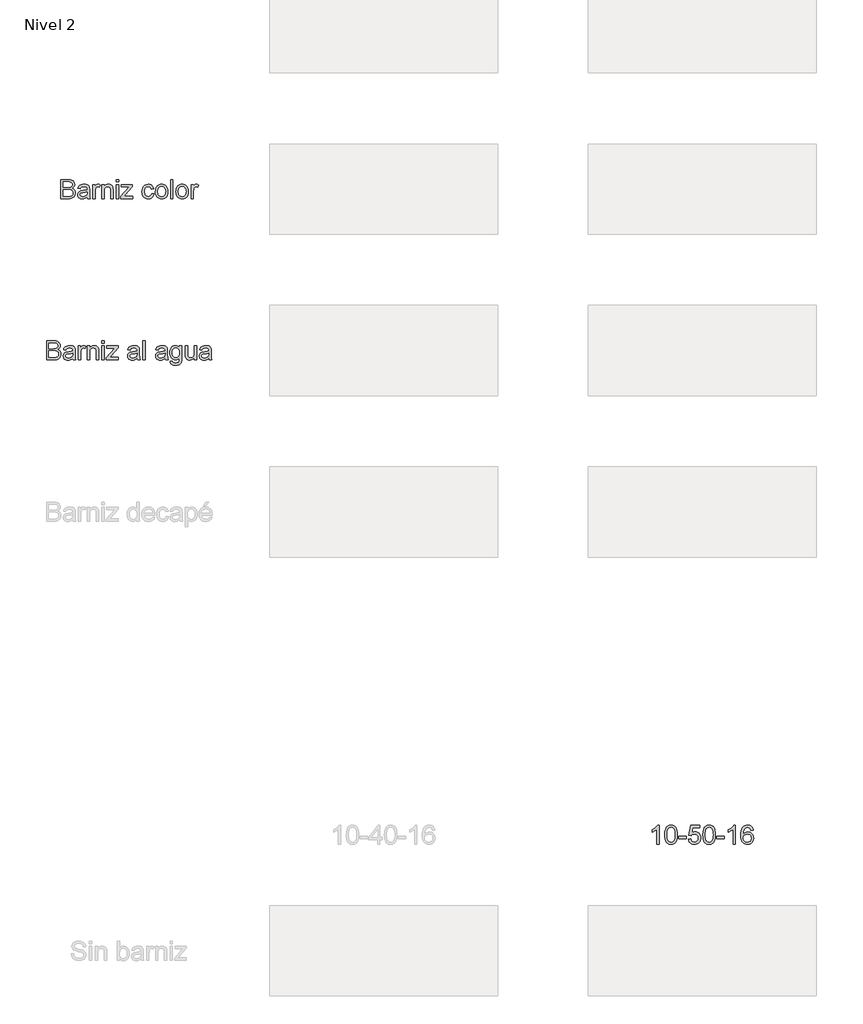
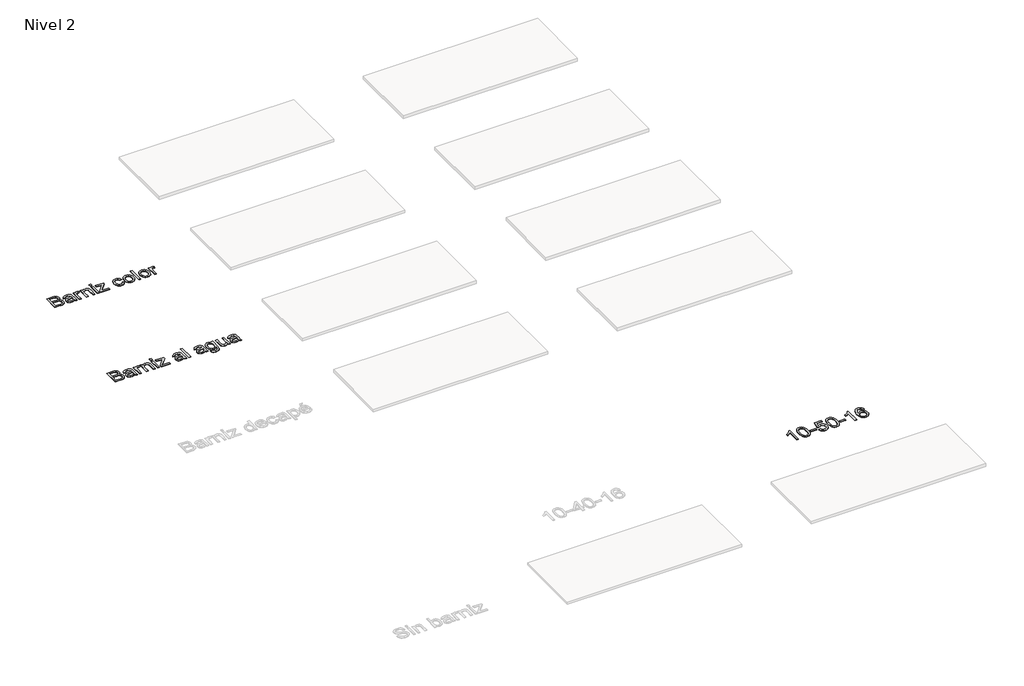
# One storey, part 12 of 51: 3 proxies.
"""IFC4 building model written with IfcOpenShell, lengths in millimetres."""

import ifcopenshell
import ifcopenshell.guid

model = None  # the IFC model being written
_history = None  # IfcOwnerHistory: only IFC2X3 demands one
_inside = {}  # id of a spatial element -> (the spatial element, [elements in it])
_under = {}  # id of a project, library or spatial element -> (it, [spatial elements below it])
_declared = {}  # id of a project -> (the project, [libraries it declares])
_typed = {}  # id of a type object -> (the type object, [elements of that type])
_made_of = {}  # id of a material, layer set ... -> (it, [elements and type objects made of it])


def new_model(schema):
    """Start an empty IFC model of exactly this schema.

    Asked for "IFC4X3", IfcOpenShell would pick the latest addendum, in which some entities
    have other attributes; the version numbers below select the first issue.
    IFC2X3 requires an IfcOwnerHistory on every rooted entity: one is made here for all.
    """
    global model, _history
    if schema == "IFC4X3":
        model = ifcopenshell.file(schema_version=(4, 3, 0, 0))
    else:
        model = ifcopenshell.file(schema=schema)
    _inside.clear()
    _under.clear()
    _declared.clear()
    _typed.clear()
    _made_of.clear()
    _history = None
    if model.schema == "IFC2X3":
        org = make("IfcOrganization", Name="unknown")
        user = make(
            "IfcPersonAndOrganization",
            ThePerson=make("IfcPerson", FamilyName="unknown"),
            TheOrganization=org,
        )
        app = make(
            "IfcApplication",
            ApplicationDeveloper=org,
            Version="unknown",
            ApplicationFullName="unknown",
            ApplicationIdentifier="unknown",
        )
        _history = make(
            "IfcOwnerHistory",
            OwningUser=user,
            OwningApplication=app,
            ChangeAction="ADDED",
            CreationDate=0,
        )
    return model


def make(cls, **values):
    """One entity of the class cls with the attributes given. An attribute that is None is left unset."""
    return model.create_entity(
        cls, **{name: value for name, value in values.items() if value is not None}
    )


def rooted(cls, **values):
    """An entity with a GlobalId (a new one), such as an element, a storey or a relation."""
    return make(cls, GlobalId=ifcopenshell.guid.new(), OwnerHistory=_history, **values)


def si_unit(unit_type, name, prefix=None):
    """IfcSIUnit, for example si_unit("LENGTHUNIT", "METRE", prefix="MILLI")."""
    return make("IfcSIUnit", UnitType=unit_type, Prefix=prefix, Name=name)


def assignment(units):
    """IfcUnitAssignment: the units of a project."""
    return None if units is None else make("IfcUnitAssignment", Units=units)


def point(xyz):
    """IfcCartesianPoint."""
    return None if xyz is None else make("IfcCartesianPoint", Coordinates=xyz)


def direction(xyz):
    """IfcDirection."""
    return None if xyz is None else make("IfcDirection", DirectionRatios=xyz)


def frame(location, z_axis=None, x_axis=None):
    """IfcAxis2Placement3D, a coordinate frame: its origin and axes. An axis left out is left unset."""
    return make(
        "IfcAxis2Placement3D",
        Location=point(location),
        Axis=direction(z_axis),
        RefDirection=direction(x_axis),
    )


def origin():
    """The frame at (0, 0, 0) with its axes left unset."""
    return frame((0.0, 0.0, 0.0))


def place(relative_to, where):
    """IfcLocalPlacement: puts the frame where relative to a parent placement (None: the world)."""
    return make(
        "IfcLocalPlacement", PlacementRelTo=relative_to, RelativePlacement=where
    )


def context(
    kind, dimensions, precision=None, world=None, true_north=None, identifier=None
):
    """IfcGeometricRepresentationContext, for example the 3D "Model" context."""
    return make(
        "IfcGeometricRepresentationContext",
        ContextIdentifier=identifier,
        ContextType=kind,
        CoordinateSpaceDimension=dimensions,
        Precision=precision,
        WorldCoordinateSystem=world,
        TrueNorth=true_north,
    )


def project(units=None, contexts=None):
    """IfcProject with its units and contexts."""
    return rooted(
        "IfcProject",
        Name="project",
        RepresentationContexts=contexts,
        UnitsInContext=assignment(units),
    )


def spatial(cls, under=None, at=None, **own):
    """A site, building, storey or space (cls), placed at a placement, below another one or the project."""
    s = rooted(cls, ObjectPlacement=at, **own)
    if under is not None:
        _under.setdefault(under.id(), (under, []))[1].append(s)
    return s


def polyline(points):
    """IfcPolyline through the points."""
    return make("IfcPolyline", Points=[point(p) for p in points])


def outline(outer, holes=None, kind="AREA"):
    """IfcArbitraryClosedProfileDef: a profile drawn as a closed curve; with holes, ...WithVoids."""
    if holes is None:
        return make("IfcArbitraryClosedProfileDef", ProfileType=kind, OuterCurve=outer)
    return make(
        "IfcArbitraryProfileDefWithVoids",
        ProfileType=kind,
        OuterCurve=outer,
        InnerCurves=holes,
    )


def extrude(swept, where, along, depth):
    """IfcExtrudedAreaSolid: the profile swept, set in the frame where, extruded along a direction by depth."""
    return make(
        "IfcExtrudedAreaSolid",
        SweptArea=swept,
        Position=where,
        ExtrudedDirection=direction(along),
        Depth=depth,
    )


def shape(context_of_items, identifier, shape_type, items):
    """IfcShapeRepresentation: the items that make up one representation, for example the "Body"."""
    return make(
        "IfcShapeRepresentation",
        ContextOfItems=context_of_items,
        RepresentationIdentifier=identifier,
        RepresentationType=shape_type,
        Items=items,
    )


def made_of(thing, what):
    """Note that an element or type object is made of a material, layer set ...; save() writes the relation."""
    if what is not None:
        _made_of.setdefault(what.id(), (what, []))[1].append(thing)
    return thing


def element(
    cls,
    number,
    at=None,
    inside=None,
    cuts=None,
    type_object=None,
    material=None,
    context=None,
    identifier="Body",
    shape_type=None,
    held_by="IfcProductDefinitionShape",
    body=None,
    shapes=None,
    **own,
):
    """One element of the class cls, such as IfcWall. Its Tag is "e" and its number.

    at: its placement. inside: the storey or other place that contains it. cuts: it is an
    opening in that element (IfcRelVoidsElement). A single representation is given by context,
    identifier, shape_type and body (its items); several are given by shapes. held_by: the class
    of the entity that holds the representations. save() writes the other relations.
    """
    e = rooted(cls, Tag="e%d" % number, ObjectPlacement=at, **own)
    if body is not None:
        shapes = [shape(context, identifier, shape_type, body)]
    if shapes is not None:
        e.Representation = make(held_by, Representations=shapes)
    if inside is not None:
        _inside.setdefault(inside.id(), (inside, []))[1].append(e)
    if cuts is not None:
        rooted(
            "IfcRelVoidsElement", RelatingBuildingElement=cuts, RelatedOpeningElement=e
        )
    if type_object is not None:
        _typed.setdefault(type_object.id(), (type_object, []))[1].append(e)
    return made_of(e, material)


def aggregate(whole, parts):
    """IfcRelAggregates: a whole, such as a stair, and the parts it consists of."""
    return rooted("IfcRelAggregates", RelatingObject=whole, RelatedObjects=parts)


def save(model, path):
    """Write the relations noted so far, then the file.

    IfcRelAggregates (storeys below a building ...), IfcRelContainedInSpatialStructure (elements
    in a storey), IfcRelDefinesByType, IfcRelAssociatesMaterial and IfcRelDeclares: one each for
    every whole, place, type object, material and project.
    """
    for whole, parts in _under.values():
        aggregate(whole, parts)
    for where, things in _inside.values():
        rooted(
            "IfcRelContainedInSpatialStructure",
            RelatedElements=things,
            RelatingStructure=where,
        )
    for kind, things in _typed.values():
        rooted("IfcRelDefinesByType", RelatedObjects=things, RelatingType=kind)
    for what, things in _made_of.values():
        rooted("IfcRelAssociatesMaterial", RelatedObjects=things, RelatingMaterial=what)
    for by, libraries in _declared.values():
        rooted("IfcRelDeclares", RelatingContext=by, RelatedDefinitions=libraries)
    model.write(path)


model = new_model("IFC4")

# Units and contexts
model_context = context("Model", 3, world=origin())
ifc_project = project(units=[si_unit("LENGTHUNIT", "METRE", prefix="MILLI")], contexts=[model_context])

# Site, building, storey
site = spatial("IfcSite", under=ifc_project)
building = spatial("IfcBuilding", under=site)
storey = spatial("IfcBuildingStorey", under=building, Name="Nivel 2", Elevation=3000.0)

# Proxies
placement = place(None, origin())
element("IfcBuildingElementProxy", 1, Name="Texto de modelo 1", ObjectType="Texto de modelo 1", at=placement, inside=storey, context=model_context, shape_type="SweptSolid", body=[
    extrude(outline(polyline([(-14807.4966963, -28901.1632381), (-14807.4966963, -28499.3379975), (-14654.1634807, -28499.3379975), (-14611.9919413, -28502.2933162), (-14579.0665027, -28511.1592723), (-14553.8297979, -28526.156595), (-14534.7244596, -28547.5060134), (-14522.6947183, -28572.620091), (-14518.6848046, -28598.9113909), (-14522.0570562, -28623.1057634), (-14532.1738111, -28645.8531335), (-14549.1086456, -28665.7555494), (-14572.9351361, -28681.4150597), (-14544.4733324, -28696.2774923), (-14523.4427451, -28718.8899723), (-14510.4565106, -28747.7564461), (-14506.1277658, -28781.3808605), (-14509.0830845, -28809.4012058), (-14517.9490406, -28835.3859374), (-14531.1805297, -28857.4833826), (-14547.2324474, -28873.8418686), (-14566.8896087, -28885.6876689), (-14590.9368284, -28894.2470566), (-14620.1589216, -28899.4341928), (-14655.3407031, -28901.1632381), (-14807.4966963, -28901.1632381)]), holes=[polyline([(-14757.2685412, -28662.5795015), (-14665.5432971, -28662.5795015), (-14611.9796786, -28658.2630195), (-14593.2299595, -28650.8195404), (-14579.7532158, -28639.672716), (-14571.6230237, -28624.9942244), (-14568.9129597, -28606.9557439), (-14571.4390827, -28589.4445609), (-14579.0174518, -28574.1897208), (-14591.3047104, -28562.2826069), (-14607.9575021, -28554.8146024), (-14633.513038, -28550.8782651), (-14672.5085295, -28549.5661526), (-14757.2685412, -28549.5661526), (-14757.2685412, -28662.5795015)]), polyline([(-14757.2685412, -28850.9350831), (-14654.2615825, -28850.9350831), (-14616.9828737, -28848.9730458), (-14585.443124, -28838.0346878), (-14573.8671039, -28828.604646), (-14564.5474267, -28815.7165134), (-14558.4037973, -28799.9466385), (-14556.3559209, -28781.8713698), (-14558.7594166, -28760.8775706), (-14565.9699037, -28742.8268274), (-14578.5637307, -28728.7124215), (-14597.117246, -28719.5276344), (-14623.3962831, -28714.4876511), (-14659.1666758, -28712.8076566), (-14757.2685412, -28712.8076566), (-14757.2685412, -28850.9350831)])]), frame((0.0, 0.0, 3000.0), z_axis=(0.0, 0.0, 1.0), x_axis=(1.0, 0.0, 0.0)), (0.0, 0.0, 1.0), 10.0),
    extrude(outline(polyline([(-14254.9869904, -28863.4921218), (-14278.9851593, -28884.0689881), (-14303.6945666, -28897.5334691), (-14329.6792982, -28904.9646854), (-14357.5034398, -28907.4417575), (-14379.8675994, -28905.9518354), (-14399.4787754, -28901.4820692), (-14416.3369678, -28894.0324588), (-14430.4421767, -28883.6030042), (-14441.5798041, -28870.8558931), (-14449.5352522, -28856.453313), (-14454.3085211, -28840.3952639), (-14455.8996107, -28822.6817458), (-14453.496115, -28801.8596249), (-14446.2856279, -28782.9504904), (-14435.1633289, -28766.7636826), (-14421.0243976, -28754.1085419), (-14404.4083942, -28744.5436101), (-14385.8548789, -28737.6274285), (-14342.3957525, -28730.0735849), (-14291.039426, -28722.1273338), (-14255.281296, -28712.8076566), (-14254.9869904, -28701.624044), (-14258.4450812, -28679.2077677), (-14268.8193535, -28664.5415388), (-14292.0204446, -28653.6522318), (-14324.3450093, -28650.0224628), (-14354.2660782, -28652.4382212), (-14375.1617755, -28659.6854965), (-14389.4110715, -28673.0886639), (-14399.3929363, -28693.9720985), (-14449.6210914, -28687.6935791), (-14440.9022881, -28660.2250568), (-14427.8915282, -28638.6426464), (-14409.3748011, -28622.1370075), (-14384.1380962, -28609.8987998), (-14353.2727968, -28602.3204307), (-14317.8702862, -28599.7943077), (-14283.914778, -28602.0261251), (-14256.9980787, -28608.7215774), (-14236.7032553, -28618.7892814), (-14222.6133749, -28631.1378537), (-14213.2691722, -28646.4049565), (-14207.211382, -28665.2282519), (-14204.7588354, -28709.1778876), (-14204.7588354, -28771.6687758), (-14202.2081869, -28858.9303851), (-14192.2017966, -28901.1632381), (-14242.4299517, -28901.1632381), (-14250.4743046, -28883.7011061), (-14254.9869904, -28863.4921218)]), holes=[polyline([(-14254.9869904, -28763.0358117), (-14288.7340321, -28771.3989957), (-14336.0191312, -28778.4378045), (-14379.2330029, -28786.5802594), (-14390.4779293, -28792.1475402), (-14398.8043251, -28799.8240112), (-14403.954673, -28809.0210611), (-14405.6714557, -28819.1500787), (-14401.9313221, -28834.0860877), (-14390.7109212, -28846.3242954), (-14372.2555078, -28854.4912757), (-14346.8103364, -28857.2136024), (-14319.8323235, -28854.2092328), (-14295.9935702, -28845.1961239), (-14276.6675027, -28831.9155839), (-14263.2275471, -28816.1089209), (-14257.2678588, -28799.8240112), (-14255.281296, -28777.2605822), (-14254.9869904, -28763.0358117)])]), frame((0.0, 0.0, 3000.0), z_axis=(0.0, 0.0, 1.0), x_axis=(1.0, 0.0, 0.0)), (0.0, 0.0, 1.0), 10.0),
    extrude(outline(polyline([(-14135.6951221, -28901.1632381), (-14135.6951221, -28606.0728271), (-14091.7454865, -28606.0728271), (-14091.7454865, -28649.7281572), (-14075.5096277, -28624.4178759), (-14060.5490933, -28609.5063924), (-14045.5395079, -28602.2223289), (-14029.1564963, -28599.7943077), (-14004.1405207, -28603.6693314), (-13978.7321375, -28615.2944024), (-13995.5075565, -28660.3231586), (-14013.1658923, -28652.5976367), (-14030.824228, -28650.0224628), (-14045.8215507, -28652.4995349), (-14059.2247181, -28659.9307512), (-14070.0527115, -28671.7520259), (-14077.3245122, -28687.3992735), (-14083.4313534, -28715.456407), (-14085.4669671, -28746.064189), (-14085.4669671, -28901.1632381), (-14135.6951221, -28901.1632381)])), frame((0.0, 0.0, 3000.0), z_axis=(0.0, 0.0, 1.0), x_axis=(1.0, 0.0, 0.0)), (0.0, 0.0, 1.0), 10.0),
    extrude(outline(polyline([(-13947.3395406, -28901.1632381), (-13947.3395406, -28606.0728271), (-13897.1113855, -28606.0728271), (-13897.1113855, -28647.2756105), (-13879.6615162, -28626.5025405), (-13858.7045052, -28611.6646334), (-13834.2403526, -28602.7618891), (-13806.2690582, -28599.7943077), (-13781.5105999, -28602.1855407), (-13758.8368063, -28609.3592396), (-13739.9276717, -28620.4202249), (-13726.4631907, -28634.4733171), (-13717.3274545, -28651.481728), (-13711.4045544, -28671.4086694), (-13708.755804, -28719.9690928), (-13708.755804, -28901.1632381), (-13758.9839591, -28901.1632381), (-13758.9839591, -28726.7381215), (-13760.4309616, -28700.7656526), (-13764.7719691, -28682.2979765), (-13772.7795339, -28669.0664874), (-13785.2262081, -28658.8025797), (-13801.1800239, -28652.217492), (-13819.7090138, -28650.0224628), (-13849.1273106, -28654.9520815), (-13874.2046, -28669.7409377), (-13884.2263187, -28681.8135985), (-13891.3846891, -28698.313106), (-13895.6797114, -28719.2394602), (-13897.1113855, -28744.592661), (-13897.1113855, -28901.1632381), (-13947.3395406, -28901.1632381)])), frame((0.0, 0.0, 3000.0), z_axis=(0.0, 0.0, 1.0), x_axis=(1.0, 0.0, 0.0)), (0.0, 0.0, 1.0), 10.0),
    extrude(outline(polyline([(-13639.6920908, -28549.5661526), (-13639.6920908, -28499.3379975), (-13589.4639357, -28499.3379975), (-13589.4639357, -28549.5661526), (-13639.6920908, -28549.5661526)])), frame((0.0, 0.0, 3000.0), z_axis=(0.0, 0.0, 1.0), x_axis=(1.0, 0.0, 0.0)), (0.0, 0.0, 1.0), 10.0),
    extrude(outline(polyline([(-13639.6920908, -28901.1632381), (-13639.6920908, -28606.0728271), (-13589.4639357, -28606.0728271), (-13589.4639357, -28901.1632381), (-13639.6920908, -28901.1632381)])), frame((0.0, 0.0, 3000.0), z_axis=(0.0, 0.0, 1.0), x_axis=(1.0, 0.0, 0.0)), (0.0, 0.0, 1.0), 10.0),
    extrude(outline(polyline([(-13545.5143, -28901.1632381), (-13545.5143, -28853.878139), (-13372.1683039, -28656.3009821), (-13423.4755795, -28656.3009821), (-13532.9572612, -28656.3009821), (-13532.9572612, -28606.0728271), (-13300.652044, -28606.0728271), (-13300.652044, -28648.7471385), (-13454.3776671, -28824.0551719), (-13477.9221148, -28850.9350831), (-13419.8458105, -28850.9350831), (-13294.3735246, -28850.9350831), (-13294.3735246, -28901.1632381), (-13545.5143, -28901.1632381)])), frame((0.0, 0.0, 3000.0), z_axis=(0.0, 0.0, 1.0), x_axis=(1.0, 0.0, 0.0)), (0.0, 0.0, 1.0), 10.0),
    extrude(outline(polyline([(-12898.8268034, -28863.4921218), (-12922.8249722, -28884.0689881), (-12947.5343796, -28897.5334691), (-12973.5191112, -28904.9646854), (-13001.3432527, -28907.4417575), (-13023.7074124, -28905.9518354), (-13043.3185884, -28901.4820692), (-13060.1767808, -28894.0324588), (-13074.2819897, -28883.6030042), (-13085.4196171, -28870.8558931), (-13093.3750652, -28856.453313), (-13098.1483341, -28840.3952639), (-13099.7394237, -28822.6817458), (-13097.335928, -28801.8596249), (-13090.1254409, -28782.9504904), (-13079.0031419, -28766.7636826), (-13064.8642106, -28754.1085419), (-13048.2482071, -28744.5436101), (-13029.6946918, -28737.6274285), (-12986.2355655, -28730.0735849), (-12934.879239, -28722.1273338), (-12899.121109, -28712.8076566), (-12898.8268034, -28701.624044), (-12902.2848942, -28679.2077677), (-12912.6591664, -28664.5415388), (-12935.8602576, -28653.6522318), (-12968.1848222, -28650.0224628), (-12998.1058912, -28652.4382212), (-13019.0015885, -28659.6854965), (-13033.2508845, -28673.0886639), (-13043.2327493, -28693.9720985), (-13093.4609043, -28687.6935791), (-13084.7421011, -28660.2250568), (-13071.7313412, -28638.6426464), (-13053.2146141, -28622.1370075), (-13027.9779092, -28609.8987998), (-12997.1126098, -28602.3204307), (-12961.7100991, -28599.7943077), (-12927.754591, -28602.0261251), (-12900.8378917, -28608.7215774), (-12880.5430683, -28618.7892814), (-12866.4531878, -28631.1378537), (-12857.1089852, -28646.4049565), (-12851.051195, -28665.2282519), (-12848.5986483, -28709.1778876), (-12848.5986483, -28771.6687758), (-12846.0479998, -28858.9303851), (-12836.0416096, -28901.1632381), (-12886.2697647, -28901.1632381), (-12894.3141176, -28883.7011061), (-12898.8268034, -28863.4921218)]), holes=[polyline([(-12898.8268034, -28763.0358117), (-12932.5738451, -28771.3989957), (-12979.8589442, -28778.4378045), (-13023.0728159, -28786.5802594), (-13034.3177422, -28792.1475402), (-13042.6441381, -28799.8240112), (-13047.794486, -28809.0210611), (-13049.5112686, -28819.1500787), (-13045.771135, -28834.0860877), (-13034.5507342, -28846.3242954), (-13016.0953208, -28854.4912757), (-12990.6501494, -28857.2136024), (-12963.6721364, -28854.2092328), (-12939.8333832, -28845.1961239), (-12920.5073157, -28831.9155839), (-12907.0673601, -28816.1089209), (-12901.1076718, -28799.8240112), (-12899.121109, -28777.2605822), (-12898.8268034, -28763.0358117)])]), frame((0.0, 0.0, 3000.0), z_axis=(0.0, 0.0, 1.0), x_axis=(1.0, 0.0, 0.0)), (0.0, 0.0, 1.0), 10.0),
    extrude(outline(polyline([(-12779.5349351, -28901.1632381), (-12779.5349351, -28499.3379975), (-12729.30678, -28499.3379975), (-12729.30678, -28901.1632381), (-12779.5349351, -28901.1632381)])), frame((0.0, 0.0, 3000.0), z_axis=(0.0, 0.0, 1.0), x_axis=(1.0, 0.0, 0.0)), (0.0, 0.0, 1.0), 10.0),
    extrude(outline(polyline([(-12308.6459813, -28863.4921218), (-12332.6441501, -28884.0689881), (-12357.3535575, -28897.5334691), (-12383.338289, -28904.9646854), (-12411.1624306, -28907.4417575), (-12433.5265902, -28905.9518354), (-12453.1377663, -28901.4820692), (-12469.9959587, -28894.0324588), (-12484.1011675, -28883.6030042), (-12495.2387949, -28870.8558931), (-12503.1942431, -28856.453313), (-12507.967512, -28840.3952639), (-12509.5586016, -28822.6817458), (-12507.1551059, -28801.8596249), (-12499.9446188, -28782.9504904), (-12488.8223198, -28766.7636826), (-12474.6833885, -28754.1085419), (-12458.067385, -28744.5436101), (-12439.5138697, -28737.6274285), (-12396.0547433, -28730.0735849), (-12344.6984168, -28722.1273338), (-12308.9402869, -28712.8076566), (-12308.6459813, -28701.624044), (-12312.104072, -28679.2077677), (-12322.4783443, -28664.5415388), (-12345.6794355, -28653.6522318), (-12378.0040001, -28650.0224628), (-12407.9250691, -28652.4382212), (-12428.8207664, -28659.6854965), (-12443.0700623, -28673.0886639), (-12453.0519271, -28693.9720985), (-12503.2800822, -28687.6935791), (-12494.5612789, -28660.2250568), (-12481.550519, -28638.6426464), (-12463.0337919, -28622.1370075), (-12437.7970871, -28609.8987998), (-12406.9317877, -28602.3204307), (-12371.529277, -28599.7943077), (-12337.5737688, -28602.0261251), (-12310.6570695, -28608.7215774), (-12290.3622461, -28618.7892814), (-12276.2723657, -28631.1378537), (-12266.928163, -28646.4049565), (-12260.8703729, -28665.2282519), (-12258.4178262, -28709.1778876), (-12258.4178262, -28771.6687758), (-12255.8671777, -28858.9303851), (-12245.8607875, -28901.1632381), (-12296.0889425, -28901.1632381), (-12304.1332955, -28883.7011061), (-12308.6459813, -28863.4921218)]), holes=[polyline([(-12308.6459813, -28763.0358117), (-12342.393023, -28771.3989957), (-12389.6781221, -28778.4378045), (-12432.8919938, -28786.5802594), (-12444.1369201, -28792.1475402), (-12452.4633159, -28799.8240112), (-12457.6136639, -28809.0210611), (-12459.3304465, -28819.1500787), (-12455.5903129, -28834.0860877), (-12444.369912, -28846.3242954), (-12425.9144986, -28854.4912757), (-12400.4693273, -28857.2136024), (-12373.4913143, -28854.2092328), (-12349.652561, -28845.1961239), (-12330.3264935, -28831.9155839), (-12316.886538, -28816.1089209), (-12310.9268497, -28799.8240112), (-12308.9402869, -28777.2605822), (-12308.6459813, -28763.0358117)])]), frame((0.0, 0.0, 3000.0), z_axis=(0.0, 0.0, 1.0), x_axis=(1.0, 0.0, 0.0)), (0.0, 0.0, 1.0), 10.0),
    extrude(outline(polyline([(-12201.9111518, -28926.2773157), (-12151.6829967, -28932.5558351), (-12146.1402413, -28948.2521335), (-12135.398087, -28959.0433387), (-12114.2816605, -28967.4310482), (-12086.6414599, -28970.2269514), (-12057.1618494, -28967.0631662), (-12035.2360825, -28957.5718107), (-12020.0302933, -28942.3660216), (-12010.7106161, -28922.0589355), (-12007.2770508, -28863.4921218), (-12023.9911562, -28879.9732352), (-12042.6427733, -28891.7454591), (-12063.2319023, -28898.8087934), (-12085.7585432, -28901.1632381), (-12113.2975762, -28898.4225173), (-12137.5440653, -28890.2003547), (-12158.4980106, -28876.4967504), (-12176.1594121, -28857.3117043), (-12190.1726504, -28834.2945541), (-12200.1821064, -28809.0946375), (-12206.18778, -28781.7119543), (-12208.1896711, -28752.1465046), (-12204.5966903, -28711.593646), (-12193.8177479, -28674.3026744), (-12176.2329885, -28642.7016111), (-12152.2225569, -28619.218477), (-12122.6080563, -28604.65035), (-12088.2110898, -28599.7943077), (-12064.7218244, -28602.5411599), (-12043.4030628, -28610.7817166), (-12024.2548049, -28624.5159778), (-12007.2770508, -28643.7439434), (-12007.2770508, -28606.0728271), (-11957.0488958, -28606.0728271), (-11957.0488958, -28860.8433715), (-11960.4824611, -28919.6677025), (-11970.7831569, -28958.4056766), (-11988.5273318, -28984.0961026), (-12014.2913342, -29003.7777893), (-12047.5110784, -29016.2857772), (-12087.6224786, -29020.4551064), (-12112.2307184, -29018.9866441), (-12134.3557547, -29014.5812573), (-12153.9975876, -29007.2389458), (-12171.156217, -28996.9597097), (-12185.0161711, -28983.7312863), (-12194.7619783, -28967.5414128), (-12200.3936385, -28948.3900893), (-12201.9111518, -28926.2773157)]), holes=[polyline([(-12157.9615161, -28748.7129393), (-12152.6027017, -28794.7840279), (-12145.9041837, -28812.4209039), (-12136.5262585, -28826.4586676), (-12125.1249823, -28837.1670994), (-12112.3564114, -28844.8159792), (-12098.2205457, -28849.4053071), (-12082.7173853, -28850.9350831), (-12067.3675091, -28849.4145041), (-12053.2990884, -28844.8527674), (-12040.5121234, -28837.2498728), (-12029.006614, -28826.6058204), (-12019.4999301, -28812.7060124), (-12012.7094416, -28795.3358509), (-12007.2770508, -28750.1844673), (-12012.8688572, -28706.6395018), (-12019.8586151, -28689.4379529), (-12029.6442762, -28675.2836931), (-12041.3981059, -28664.2319048), (-12054.2923698, -28656.3377703), (-12068.3270679, -28651.6012897), (-12083.5022002, -28650.0224628), (-12098.4228808, -28651.5767642), (-12112.1847331, -28656.2396685), (-12136.2319529, -28674.8912856), (-12145.7386368, -28688.8309476), (-12152.5291253, -28705.7811105), (-12157.9615161, -28748.7129393)])]), frame((0.0, 0.0, 3000.0), z_axis=(0.0, 0.0, 1.0), x_axis=(1.0, 0.0, 0.0)), (0.0, 0.0, 1.0), 10.0),
    extrude(outline(polyline([(-11693.3510816, -28901.1632381), (-11693.3510816, -28850.4445737), (-11711.5244522, -28875.3808416), (-11732.6899296, -28893.1924616), (-11756.847514, -28903.8794335), (-11783.9972052, -28907.4417575), (-11808.4613579, -28904.94016), (-11831.2332534, -28897.4353673), (-11850.3385917, -28886.1536527), (-11863.8030727, -28872.3212897), (-11872.8652325, -28855.5213453), (-11878.7636072, -28835.3368865), (-11881.7066632, -28788.6403985), (-11881.7066632, -28606.0728271), (-11831.4785081, -28606.0728271), (-11831.4785081, -28764.997849), (-11828.4373503, -28816.2070227), (-11821.1164986, -28833.28901), (-11808.5717225, -28846.2752445), (-11791.636888, -28854.4790129), (-11771.1458609, -28857.2136024), (-11749.4776114, -28854.4176993), (-11729.2073134, -28846.0299898), (-11712.4932081, -28832.8230262), (-11701.4935365, -28815.5693606), (-11695.3866953, -28791.9390738), (-11693.3510816, -28759.6022464), (-11693.3510816, -28606.0728271), (-11643.1229266, -28606.0728271), (-11643.1229266, -28901.1632381), (-11693.3510816, -28901.1632381)])), frame((0.0, 0.0, 3000.0), z_axis=(0.0, 0.0, 1.0), x_axis=(1.0, 0.0, 0.0)), (0.0, 0.0, 1.0), 10.0),
    extrude(outline(polyline([(-11385.7036318, -28863.4921218), (-11409.7018006, -28884.0689881), (-11434.411208, -28897.5334691), (-11460.3959395, -28904.9646854), (-11488.2200811, -28907.4417575), (-11510.5842407, -28905.9518354), (-11530.1954168, -28901.4820692), (-11547.0536092, -28894.0324588), (-11561.158818, -28883.6030042), (-11572.2964454, -28870.8558931), (-11580.2518936, -28856.453313), (-11585.0251625, -28840.3952639), (-11586.6162521, -28822.6817458), (-11584.2127564, -28801.8596249), (-11577.0022693, -28782.9504904), (-11565.8799703, -28766.7636826), (-11551.741039, -28754.1085419), (-11535.1250355, -28744.5436101), (-11516.5715202, -28737.6274285), (-11473.1123938, -28730.0735849), (-11421.7560673, -28722.1273338), (-11385.9979374, -28712.8076566), (-11385.7036318, -28701.624044), (-11389.1617226, -28679.2077677), (-11399.5359948, -28664.5415388), (-11422.737086, -28653.6522318), (-11455.0616506, -28650.0224628), (-11484.9827196, -28652.4382212), (-11505.8784169, -28659.6854965), (-11520.1277128, -28673.0886639), (-11530.1095776, -28693.9720985), (-11580.3377327, -28687.6935791), (-11571.6189294, -28660.2250568), (-11558.6081695, -28638.6426464), (-11540.0914424, -28622.1370075), (-11514.8547376, -28609.8987998), (-11483.9894382, -28602.3204307), (-11448.5869275, -28599.7943077), (-11414.6314193, -28602.0261251), (-11387.71472, -28608.7215774), (-11367.4198966, -28618.7892814), (-11353.3300162, -28631.1378537), (-11343.9858135, -28646.4049565), (-11337.9280234, -28665.2282519), (-11335.4754767, -28709.1778876), (-11335.4754767, -28771.6687758), (-11332.9248282, -28858.9303851), (-11322.918438, -28901.1632381), (-11373.146593, -28901.1632381), (-11381.190946, -28883.7011061), (-11385.7036318, -28863.4921218)]), holes=[polyline([(-11385.7036318, -28763.0358117), (-11419.4506735, -28771.3989957), (-11466.7357726, -28778.4378045), (-11509.9496443, -28786.5802594), (-11521.1945706, -28792.1475402), (-11529.5209664, -28799.8240112), (-11534.6713144, -28809.0210611), (-11536.388097, -28819.1500787), (-11532.6479634, -28834.0860877), (-11521.4275625, -28846.3242954), (-11502.9721491, -28854.4912757), (-11477.5269778, -28857.2136024), (-11450.5489648, -28854.2092328), (-11426.7102115, -28845.1961239), (-11407.384144, -28831.9155839), (-11393.9441885, -28816.1089209), (-11387.9845002, -28799.8240112), (-11385.9979374, -28777.2605822), (-11385.7036318, -28763.0358117)])]), frame((0.0, 0.0, 3000.0), z_axis=(0.0, 0.0, 1.0), x_axis=(1.0, 0.0, 0.0)), (0.0, 0.0, 1.0), 10.0),
])
element("IfcBuildingElementProxy", 2, Name="Texto de modelo 1", ObjectType="Texto de modelo 1", at=placement, inside=storey, context=model_context, shape_type="SweptSolid", body=[
    extrude(outline(polyline([(-14502.9885061, -25501.1632381), (-14502.9885061, -25099.3379975), (-14349.6552905, -25099.3379975), (-14307.4837512, -25102.2933162), (-14274.5583126, -25111.1592723), (-14249.3216077, -25126.156595), (-14230.2162694, -25147.5060134), (-14218.1865282, -25172.620091), (-14214.1766144, -25198.9113909), (-14217.5488661, -25223.1057634), (-14227.6656209, -25245.8531335), (-14244.6004554, -25265.7555494), (-14268.426946, -25281.4150597), (-14239.9651423, -25296.2774923), (-14218.9345549, -25318.8899723), (-14205.9483205, -25347.7564461), (-14201.6195757, -25381.3808605), (-14204.5748944, -25409.4012058), (-14213.4408505, -25435.3859374), (-14226.6723395, -25457.4833826), (-14242.7242573, -25473.8418686), (-14262.3814185, -25485.6876689), (-14286.4286383, -25494.2470566), (-14315.6507314, -25499.4341928), (-14350.8325129, -25501.1632381), (-14502.9885061, -25501.1632381)]), holes=[polyline([(-14452.7603511, -25262.5795015), (-14361.0351069, -25262.5795015), (-14307.4714884, -25258.2630195), (-14288.7217694, -25250.8195404), (-14275.2450256, -25239.672716), (-14267.1148336, -25224.9942244), (-14264.4047695, -25206.9557439), (-14266.9308926, -25189.4445609), (-14274.5092617, -25174.1897208), (-14286.7965203, -25162.2826069), (-14303.4493119, -25154.8146024), (-14329.0048479, -25150.8782651), (-14368.0003394, -25149.5661526), (-14452.7603511, -25149.5661526), (-14452.7603511, -25262.5795015)]), polyline([(-14452.7603511, -25450.9350831), (-14349.7533924, -25450.9350831), (-14312.4746836, -25448.9730458), (-14280.9349338, -25438.0346878), (-14269.3589137, -25428.604646), (-14260.0392365, -25415.7165134), (-14253.8956072, -25399.9466385), (-14251.8477308, -25381.8713698), (-14254.2512265, -25360.8775706), (-14261.4617136, -25342.8268274), (-14274.0555405, -25328.7124215), (-14292.6090558, -25319.5276344), (-14318.888093, -25314.4876511), (-14354.6584857, -25312.8076566), (-14452.7603511, -25312.8076566), (-14452.7603511, -25450.9350831)])]), frame((0.0, 0.0, 3000.0), z_axis=(0.0, 0.0, 1.0), x_axis=(1.0, 0.0, 0.0)), (0.0, 0.0, 1.0), 10.0),
    extrude(outline(polyline([(-13950.4788003, -25463.4921218), (-13974.4769691, -25484.0689881), (-13999.1863765, -25497.5334691), (-14025.1711081, -25504.9646854), (-14052.9952496, -25507.4417575), (-14075.3594092, -25505.9518354), (-14094.9705853, -25501.4820692), (-14111.8287777, -25494.0324588), (-14125.9339865, -25483.6030042), (-14137.0716139, -25470.8558931), (-14145.0270621, -25456.453313), (-14149.800331, -25440.3952639), (-14151.3914206, -25422.6817458), (-14148.9879249, -25401.8596249), (-14141.7774378, -25382.9504904), (-14130.6551388, -25366.7636826), (-14116.5162075, -25354.1085419), (-14099.900204, -25344.5436101), (-14081.3466887, -25337.6274285), (-14037.8875624, -25330.0735849), (-13986.5312358, -25322.1273338), (-13950.7731059, -25312.8076566), (-13950.4788003, -25301.624044), (-13953.9368911, -25279.2077677), (-13964.3111633, -25264.5415388), (-13987.5122545, -25253.6522318), (-14019.8368191, -25250.0224628), (-14049.7578881, -25252.4382212), (-14070.6535854, -25259.6854965), (-14084.9028813, -25273.0886639), (-14094.8847461, -25293.9720985), (-14145.1129012, -25287.6935791), (-14136.3940979, -25260.2250568), (-14123.383338, -25238.6426464), (-14104.8666109, -25222.1370075), (-14079.6299061, -25209.8987998), (-14048.7646067, -25202.3204307), (-14013.362096, -25199.7943077), (-13979.4065879, -25202.0261251), (-13952.4898885, -25208.7215774), (-13932.1950651, -25218.7892814), (-13918.1051847, -25231.1378537), (-13908.760982, -25246.4049565), (-13902.7031919, -25265.2282519), (-13900.2506452, -25309.1778876), (-13900.2506452, -25371.6687758), (-13897.6999967, -25458.9303851), (-13887.6936065, -25501.1632381), (-13937.9217615, -25501.1632381), (-13945.9661145, -25483.7011061), (-13950.4788003, -25463.4921218)]), holes=[polyline([(-13950.4788003, -25363.0358117), (-13984.225842, -25371.3989957), (-14031.5109411, -25378.4378045), (-14074.7248128, -25386.5802594), (-14085.9697391, -25392.1475402), (-14094.296135, -25399.8240112), (-14099.4464829, -25409.0210611), (-14101.1632655, -25419.1500787), (-14097.4231319, -25434.0860877), (-14086.2027311, -25446.3242954), (-14067.7473176, -25454.4912757), (-14042.3021463, -25457.2136024), (-14015.3241333, -25454.2092328), (-13991.48538, -25445.1961239), (-13972.1593126, -25431.9155839), (-13958.719357, -25416.1089209), (-13952.7596687, -25399.8240112), (-13950.7731059, -25377.2605822), (-13950.4788003, -25363.0358117)])]), frame((0.0, 0.0, 3000.0), z_axis=(0.0, 0.0, 1.0), x_axis=(1.0, 0.0, 0.0)), (0.0, 0.0, 1.0), 10.0),
    extrude(outline(polyline([(-13831.186932, -25501.1632381), (-13831.186932, -25206.0728271), (-13787.2372963, -25206.0728271), (-13787.2372963, -25249.7281572), (-13771.0014376, -25224.4178759), (-13756.0409031, -25209.5063924), (-13741.0313177, -25202.2223289), (-13724.6483062, -25199.7943077), (-13699.6323305, -25203.6693314), (-13674.2239474, -25215.2944024), (-13690.9993664, -25260.3231586), (-13708.6577021, -25252.5976367), (-13726.3160379, -25250.0224628), (-13741.3133606, -25252.4995349), (-13754.7165279, -25259.9307512), (-13765.5445213, -25271.7520259), (-13772.8163221, -25287.3992735), (-13778.9231632, -25315.456407), (-13780.9587769, -25346.064189), (-13780.9587769, -25501.1632381), (-13831.186932, -25501.1632381)])), frame((0.0, 0.0, 3000.0), z_axis=(0.0, 0.0, 1.0), x_axis=(1.0, 0.0, 0.0)), (0.0, 0.0, 1.0), 10.0),
    extrude(outline(polyline([(-13642.8313505, -25501.1632381), (-13642.8313505, -25206.0728271), (-13592.6031954, -25206.0728271), (-13592.6031954, -25247.2756105), (-13575.1533261, -25226.5025405), (-13554.1963151, -25211.6646334), (-13529.7321624, -25202.7618891), (-13501.7608681, -25199.7943077), (-13477.0024098, -25202.1855407), (-13454.3286161, -25209.3592396), (-13435.4194816, -25220.4202249), (-13421.9550006, -25234.4733171), (-13412.8192644, -25251.481728), (-13406.8963642, -25271.4086694), (-13404.2476139, -25319.9690928), (-13404.2476139, -25501.1632381), (-13454.4757689, -25501.1632381), (-13454.4757689, -25326.7381215), (-13455.9227715, -25300.7656526), (-13460.263779, -25282.2979765), (-13468.2713438, -25269.0664874), (-13480.7180179, -25258.8025797), (-13496.6718338, -25252.217492), (-13515.2008236, -25250.0224628), (-13544.6191205, -25254.9520815), (-13569.6964098, -25269.7409377), (-13579.7181285, -25281.8135985), (-13586.876499, -25298.313106), (-13591.1715213, -25319.2394602), (-13592.6031954, -25344.592661), (-13592.6031954, -25501.1632381), (-13642.8313505, -25501.1632381)])), frame((0.0, 0.0, 3000.0), z_axis=(0.0, 0.0, 1.0), x_axis=(1.0, 0.0, 0.0)), (0.0, 0.0, 1.0), 10.0),
    extrude(outline(polyline([(-13335.1839006, -25149.5661526), (-13335.1839006, -25099.3379975), (-13284.9557456, -25099.3379975), (-13284.9557456, -25149.5661526), (-13335.1839006, -25149.5661526)])), frame((0.0, 0.0, 3000.0), z_axis=(0.0, 0.0, 1.0), x_axis=(1.0, 0.0, 0.0)), (0.0, 0.0, 1.0), 10.0),
    extrude(outline(polyline([(-13335.1839006, -25501.1632381), (-13335.1839006, -25206.0728271), (-13284.9557456, -25206.0728271), (-13284.9557456, -25501.1632381), (-13335.1839006, -25501.1632381)])), frame((0.0, 0.0, 3000.0), z_axis=(0.0, 0.0, 1.0), x_axis=(1.0, 0.0, 0.0)), (0.0, 0.0, 1.0), 10.0),
    extrude(outline(polyline([(-13241.0061099, -25501.1632381), (-13241.0061099, -25453.878139), (-13067.6601137, -25256.3009821), (-13118.9673893, -25256.3009821), (-13228.4490711, -25256.3009821), (-13228.4490711, -25206.0728271), (-12996.1438539, -25206.0728271), (-12996.1438539, -25248.7471385), (-13149.8694769, -25424.0551719), (-13173.4139246, -25450.9350831), (-13115.3376203, -25450.9350831), (-12989.8653345, -25450.9350831), (-12989.8653345, -25501.1632381), (-13241.0061099, -25501.1632381)])), frame((0.0, 0.0, 3000.0), z_axis=(0.0, 0.0, 1.0), x_axis=(1.0, 0.0, 0.0)), (0.0, 0.0, 1.0), 10.0),
    extrude(outline(polyline([(-12594.3186133, -25394.4284086), (-12544.0904582, -25400.706928), (-12549.5535058, -25424.4077255), (-12558.0944995, -25445.3800649), (-12569.7134392, -25463.6239462), (-12584.4103249, -25479.1393694), (-12601.5658886, -25491.5216642), (-12620.5608623, -25500.3661605), (-12641.3952459, -25505.6728583), (-12664.0690396, -25507.4417575), (-12692.2396033, -25504.9738825), (-12717.497768, -25497.5702573), (-12739.8435335, -25485.2308821), (-12759.2768999, -25467.9557567), (-12775.0069209, -25446.0698437), (-12786.2426502, -25419.8981054), (-12792.9840877, -25389.4405419), (-12795.2312336, -25354.6971531), (-12791.3929981, -25309.9994907), (-12779.8782917, -25271.2615166), (-12760.5031732, -25239.9792843), (-12733.0837019, -25217.6488472), (-12700.2808906, -25204.2579426), (-12664.7557526, -25199.7943077), (-12642.4713008, -25201.3271493), (-12622.3144331, -25205.9256743), (-12604.2851497, -25213.5898825), (-12588.3834504, -25224.319774), (-12574.8791155, -25237.8700942), (-12564.0419251, -25253.9955883), (-12555.8718791, -25272.6962564), (-12550.3689776, -25293.9720985), (-12600.5971327, -25300.2506178), (-12609.7083434, -25278.3371137), (-12623.8963257, -25262.6285525), (-12642.3762646, -25253.1739852), (-12664.3633452, -25250.0224628), (-12681.4300041, -25251.5736985), (-12696.8227999, -25256.2274057), (-12710.5417326, -25263.9835845), (-12722.5868023, -25274.8422347), (-12732.3939231, -25289.0547425), (-12739.3990094, -25306.8724938), (-12743.6020612, -25328.2954886), (-12745.0030785, -25353.323727), (-12739.5216368, -25400.4003597), (-12732.6698346, -25418.3376726), (-12723.0773116, -25432.5409833), (-12711.2713652, -25443.3352542), (-12697.7792931, -25451.0454477), (-12682.6010951, -25455.6715638), (-12665.7367713, -25457.2136024), (-12639.7275142, -25453.3631042), (-12618.4026212, -25441.8116096), (-12602.8902638, -25422.2648129), (-12594.3186133, -25394.4284086)])), frame((0.0, 0.0, 3000.0), z_axis=(0.0, 0.0, 1.0), x_axis=(1.0, 0.0, 0.0)), (0.0, 0.0, 1.0), 10.0),
    extrude(outline(polyline([(-12512.6978613, -25353.6180326), (-12509.9816659, -25315.4012247), (-12501.8330797, -25282.4696547), (-12488.2521027, -25254.8233228), (-12469.2387349, -25232.4622289), (-12450.0966084, -25218.1700133), (-12428.9679192, -25207.961288), (-12405.8526672, -25201.8360528), (-12380.7508523, -25199.7943077), (-12353.0401411, -25202.2805768), (-12327.9843115, -25209.7393843), (-12305.5833637, -25222.17073), (-12285.8372976, -25239.5746141), (-12269.7210005, -25261.3624253), (-12258.2093598, -25286.9455523), (-12251.3023753, -25316.3239953), (-12249.0000471, -25349.4977543), (-12253.0712746, -25400.2409441), (-12265.2849568, -25438.8685536), (-12285.2854746, -25467.7963412), (-12312.7172087, -25489.4400652), (-12345.2992907, -25502.9413344), (-12380.7508523, -25507.4417575), (-12408.8662338, -25504.9646854), (-12434.1550553, -25497.5334691), (-12456.6173168, -25485.1481086), (-12476.2530183, -25467.8086039), (-12492.1976371, -25445.8092606), (-12503.5866505, -25419.4443843), (-12510.4200586, -25388.7139749), (-12512.6978613, -25353.6180326)]), holes=[polyline([(-12462.4697062, -25353.5199307), (-12461.0165723, -25377.8829159), (-12456.6571707, -25398.9778826), (-12449.3915013, -25416.804831), (-12439.2195641, -25431.3637609), (-12426.8464663, -25442.6730666), (-12412.9773151, -25450.7511421), (-12397.6121105, -25455.5979874), (-12380.7508523, -25457.2136024), (-12363.9754334, -25455.5887903), (-12348.6715424, -25450.7143539), (-12334.8391794, -25442.5902931), (-12322.4783443, -25431.2166081), (-12312.3064071, -25416.513591), (-12305.0407377, -25398.4015342), (-12300.6813361, -25376.8804374), (-12299.2282022, -25351.9503009), (-12300.6905331, -25328.359868), (-12305.0775259, -25307.8167242), (-12312.3891806, -25290.3208697), (-12322.6254971, -25275.8723043), (-12335.0323174, -25264.5629986), (-12348.8554834, -25256.4849231), (-12364.094995, -25251.6380779), (-12380.7508523, -25250.0224628), (-12397.6121105, -25251.6319465), (-12412.9773151, -25256.4603977), (-12426.8464663, -25264.5078163), (-12439.2195641, -25275.7742024), (-12449.3915013, -25290.2902128), (-12456.6571707, -25308.0865043), (-12461.0165723, -25329.163077), (-12462.4697062, -25353.5199307)])]), frame((0.0, 0.0, 3000.0), z_axis=(0.0, 0.0, 1.0), x_axis=(1.0, 0.0, 0.0)), (0.0, 0.0, 1.0), 10.0),
    extrude(outline(polyline([(-12192.4933727, -25501.1632381), (-12192.4933727, -25099.3379975), (-12142.2652176, -25099.3379975), (-12142.2652176, -25501.1632381), (-12192.4933727, -25501.1632381)])), frame((0.0, 0.0, 3000.0), z_axis=(0.0, 0.0, 1.0), x_axis=(1.0, 0.0, 0.0)), (0.0, 0.0, 1.0), 10.0),
    extrude(outline(polyline([(-12079.4800238, -25353.6180326), (-12076.7638284, -25315.4012247), (-12068.6152422, -25282.4696547), (-12055.0342652, -25254.8233228), (-12036.0208974, -25232.4622289), (-12016.8787709, -25218.1700133), (-11995.7500817, -25207.961288), (-11972.6348296, -25201.8360528), (-11947.5330148, -25199.7943077), (-11919.8223035, -25202.2805768), (-11894.766474, -25209.7393843), (-11872.3655262, -25222.17073), (-11852.6194601, -25239.5746141), (-11836.503163, -25261.3624253), (-11824.9915222, -25286.9455523), (-11818.0845378, -25316.3239953), (-11815.7822096, -25349.4977543), (-11819.853437, -25400.2409441), (-11832.0671193, -25438.8685536), (-11852.0676371, -25467.7963412), (-11879.4993712, -25489.4400652), (-11912.0814532, -25502.9413344), (-11947.5330148, -25507.4417575), (-11975.6483963, -25504.9646854), (-12000.9372178, -25497.5334691), (-12023.3994793, -25485.1481086), (-12043.0351808, -25467.8086039), (-12058.9797996, -25445.8092606), (-12070.368813, -25419.4443843), (-12077.2022211, -25388.7139749), (-12079.4800238, -25353.6180326)]), holes=[polyline([(-12029.2518687, -25353.5199307), (-12027.7987348, -25377.8829159), (-12023.4393332, -25398.9778826), (-12016.1736638, -25416.804831), (-12006.0017266, -25431.3637609), (-11993.6286288, -25442.6730666), (-11979.7594776, -25450.7511421), (-11964.3942729, -25455.5979874), (-11947.5330148, -25457.2136024), (-11930.7575958, -25455.5887903), (-11915.4537049, -25450.7143539), (-11901.6213418, -25442.5902931), (-11889.2605068, -25431.2166081), (-11879.0885696, -25416.513591), (-11871.8229002, -25398.4015342), (-11867.4634986, -25376.8804374), (-11866.0103647, -25351.9503009), (-11867.4726956, -25328.359868), (-11871.8596884, -25307.8167242), (-11879.1713431, -25290.3208697), (-11889.4076596, -25275.8723043), (-11901.8144799, -25264.5629986), (-11915.6376458, -25256.4849231), (-11930.8771575, -25251.6380779), (-11947.5330148, -25250.0224628), (-11964.3942729, -25251.6319465), (-11979.7594776, -25256.4603977), (-11993.6286288, -25264.5078163), (-12006.0017266, -25275.7742024), (-12016.1736638, -25290.2902128), (-12023.4393332, -25308.0865043), (-12027.7987348, -25329.163077), (-12029.2518687, -25353.5199307)])]), frame((0.0, 0.0, 3000.0), z_axis=(0.0, 0.0, 1.0), x_axis=(1.0, 0.0, 0.0)), (0.0, 0.0, 1.0), 10.0),
    extrude(outline(polyline([(-11759.2755352, -25501.1632381), (-11759.2755352, -25206.0728271), (-11715.3258995, -25206.0728271), (-11715.3258995, -25249.7281572), (-11699.0900408, -25224.4178759), (-11684.1295063, -25209.5063924), (-11669.1199209, -25202.2223289), (-11652.7369094, -25199.7943077), (-11627.7209337, -25203.6693314), (-11602.3125506, -25215.2944024), (-11619.0879695, -25260.3231586), (-11636.7463053, -25252.5976367), (-11654.4046411, -25250.0224628), (-11669.4019637, -25252.4995349), (-11682.8051311, -25259.9307512), (-11693.6331245, -25271.7520259), (-11700.9049253, -25287.3992735), (-11707.0117664, -25315.456407), (-11709.0473801, -25346.064189), (-11709.0473801, -25501.1632381), (-11759.2755352, -25501.1632381)])), frame((0.0, 0.0, 3000.0), z_axis=(0.0, 0.0, 1.0), x_axis=(1.0, 0.0, 0.0)), (0.0, 0.0, 1.0), 10.0),
])
element("IfcBuildingElementProxy", 3, Name="Texto de modelo 1", ObjectType="Texto de modelo 1", at=placement, inside=storey, context=model_context, shape_type="SweptSolid", body=[
    extrude(outline(polyline([(-1890.325065, -39113.543941), (-1940.5532201, -39113.543941), (-1940.5532201, -38800.4027867), (-1961.5224938, -38817.3621467), (-1988.1326248, -38834.2969812), (-2041.0095302, -38859.6563134), (-2041.0095302, -38812.1750106), (-2001.5603176, -38790.7152275), (-1967.3840803, -38765.1842171), (-1940.4428555, -38738.0345258), (-1922.6986806, -38711.7187004), (-1890.325065, -38711.7187004), (-1890.325065, -39113.543941)])), frame((0.0, 0.0, 3000.0), z_axis=(0.0, 0.0, 1.0), x_axis=(1.0, 0.0, 0.0)), (0.0, 0.0, 1.0), 10.0),
    extrude(outline(polyline([(-1771.0331967, -38915.8686823), (-1767.342114, -38851.5506468), (-1756.268866, -38800.2556339), (-1737.9238171, -38761.1988288), (-1726.0657541, -38745.9654485), (-1712.4173321, -38733.5954164), (-1696.9325658, -38724.0243532), (-1679.56547, -38717.1878794), (-1639.1842896, -38711.7187004), (-1608.2331511, -38714.956062), (-1580.5193741, -38724.6681467), (-1557.3428084, -38740.4748097), (-1540.0033037, -38761.9959064), (-1526.9067047, -38789.0474958), (-1516.458856, -38821.4456369), (-1509.6162509, -38862.5871067), (-1507.3353825, -38915.8686823), (-1510.989677, -38979.8188358), (-1521.9525605, -39030.9912213), (-1540.1872447, -39070.0848147), (-1552.0177165, -39085.3641802), (-1565.6569415, -39097.7985916), (-1581.1601019, -39107.4340342), (-1598.5823801, -39114.3164932), (-1639.1842896, -39119.8224604), (-1666.8490157, -39117.4312275), (-1691.374482, -39110.2575285), (-1712.7606887, -39098.3013637), (-1731.0076356, -39081.5627329), (-1748.5188186, -39051.3044388), (-1761.0268064, -39013.6026657), (-1768.5315991, -38968.4574135), (-1771.0331967, -38915.8686823)]), holes=[polyline([(-1720.8050416, -38915.7705804), (-1719.3335136, -38959.4351076), (-1714.9189297, -38994.7793703), (-1707.5612898, -39021.8033685), (-1697.2605939, -39040.5071023), (-1684.801657, -39053.2327536), (-1670.969294, -39062.3225046), (-1655.7635049, -39067.7763552), (-1639.1842896, -39069.5943053), (-1622.6050744, -39067.7702238), (-1607.3992852, -39062.2979791), (-1593.5669222, -39053.1775713), (-1581.1079853, -39040.4090004), (-1570.8072894, -39021.6746098), (-1563.4496495, -38994.6567429), (-1559.0350656, -38959.3553998), (-1557.5635376, -38915.7705804), (-1558.9860147, -38873.2618159), (-1563.2534458, -38838.5398869), (-1570.3658311, -38811.6047935), (-1580.3231704, -38792.4565356), (-1592.5736408, -38779.1085506), (-1606.5654194, -38769.5742755), (-1622.298506, -38763.8537105), (-1639.7729008, -38761.9468555), (-1656.2662769, -38763.62685), (-1671.2145487, -38768.6668333), (-1684.617716, -38777.0668055), (-1696.475779, -38788.8267666), (-1707.1198314, -38809.673413), (-1714.722726, -38837.7795975), (-1719.2844627, -38873.1453199), (-1720.8050416, -38915.7705804)])]), frame((0.0, 0.0, 3000.0), z_axis=(0.0, 0.0, 1.0), x_axis=(1.0, 0.0, 0.0)), (0.0, 0.0, 1.0), 10.0),
    extrude(outline(polyline([(-1475.9427856, -38994.2520727), (-1475.9427856, -38944.0239177), (-1318.979801, -38944.0239177), (-1318.979801, -38994.2520727), (-1475.9427856, -38994.2520727)])), frame((0.0, 0.0, 3000.0), z_axis=(0.0, 0.0, 1.0), x_axis=(1.0, 0.0, 0.0)), (0.0, 0.0, 1.0), 10.0),
    extrude(outline(polyline([(-1275.0301653, -39006.8091115), (-1224.8020103, -39000.5305921), (-1215.5804349, -39030.684653), (-1199.491729, -39052.2793261), (-1176.6094689, -39065.2655605), (-1147.007231, -39069.5943053), (-1127.8773673, -39068.0890548), (-1111.0038464, -39063.5733034), (-1096.3866685, -39056.0470509), (-1084.0258334, -39045.5102974), (-1074.1972528, -39032.4842091), (-1067.1768381, -39017.4899521), (-1061.5605063, -38981.5969321), (-1066.8212188, -38947.8008395), (-1073.3971095, -38933.8826373), (-1082.6033564, -38921.9509979), (-1094.4706164, -38912.3799347), (-1109.0295464, -38905.543461), (-1146.2224161, -38900.074282), (-1170.5884669, -38902.2570485), (-1190.3192046, -38908.805348), (-1206.0768167, -38918.8362637), (-1218.5234909, -38931.4668789), (-1268.7516459, -38925.1883595), (-1224.8020103, -38717.9972198), (-1030.1679093, -38717.9972198), (-1030.1679093, -38768.2253749), (-1184.187838, -38768.2253749), (-1205.6721465, -38878.884279), (-1187.9463657, -38866.1800875), (-1169.7913892, -38857.1056649), (-1151.2072171, -38851.6610114), (-1132.1938493, -38849.8461269), (-1107.7327623, -38852.0963384), (-1085.2643695, -38858.846973), (-1064.7886708, -38870.0980307), (-1046.3056662, -38885.8495115), (-1031.0048409, -38905.1387908), (-1020.0756799, -38927.003244), (-1013.5181834, -38951.4428712), (-1011.3323512, -38978.4576724), (-1013.3005199, -39004.4791922), (-1019.2050259, -39028.6858275), (-1029.0458693, -39051.0775783), (-1042.82305, -39071.6544445), (-1063.6942218, -39092.7279515), (-1088.0480099, -39107.7804564), (-1115.8844142, -39116.8119594), (-1147.2034347, -39119.8224604), (-1173.123787, -39117.8880143), (-1196.5364103, -39112.0846758), (-1217.4413047, -39102.412445), (-1235.8384701, -39088.8713219), (-1251.1454268, -39072.1357568), (-1262.7796949, -39052.8802), (-1270.7412744, -39031.1046516), (-1275.0301653, -39006.8091115)])), frame((0.0, 0.0, 3000.0), z_axis=(0.0, 0.0, 1.0), x_axis=(1.0, 0.0, 0.0)), (0.0, 0.0, 1.0), 10.0),
    extrude(outline(polyline([(-967.3827155, -38915.8686823), (-963.6916328, -38851.5506468), (-952.6183848, -38800.2556339), (-934.2733359, -38761.1988288), (-922.415273, -38745.9654485), (-908.7668509, -38733.5954164), (-893.2820846, -38724.0243532), (-875.9149888, -38717.1878794), (-835.5338084, -38711.7187004), (-804.5826699, -38714.956062), (-776.8688929, -38724.6681467), (-753.6923272, -38740.4748097), (-736.3528225, -38761.9959064), (-723.2562235, -38789.0474958), (-712.8083748, -38821.4456369), (-705.9657697, -38862.5871067), (-703.6849014, -38915.8686823), (-707.3391958, -38979.8188358), (-718.3020793, -39030.9912213), (-736.5367635, -39070.0848147), (-748.3672353, -39085.3641802), (-762.0064603, -39097.7985916), (-777.5096207, -39107.4340342), (-794.9318989, -39114.3164932), (-835.5338084, -39119.8224604), (-863.1985345, -39117.4312275), (-887.7240008, -39110.2575285), (-909.1102075, -39098.3013637), (-927.3571544, -39081.5627329), (-944.8683374, -39051.3044388), (-957.3763252, -39013.6026657), (-964.8811179, -38968.4574135), (-967.3827155, -38915.8686823)]), holes=[polyline([(-917.1545604, -38915.7705804), (-915.6830324, -38959.4351076), (-911.2684485, -38994.7793703), (-903.9108086, -39021.8033685), (-893.6101127, -39040.5071023), (-881.1511758, -39053.2327536), (-867.3188128, -39062.3225046), (-852.1130237, -39067.7763552), (-835.5338084, -39069.5943053), (-818.9545932, -39067.7702238), (-803.748804, -39062.2979791), (-789.916441, -39053.1775713), (-777.4575041, -39040.4090004), (-767.1568083, -39021.6746098), (-759.7991683, -38994.6567429), (-755.3845844, -38959.3553998), (-753.9130564, -38915.7705804), (-755.3355335, -38873.2618159), (-759.6029646, -38838.5398869), (-766.7153499, -38811.6047935), (-776.6726892, -38792.4565356), (-788.9231596, -38779.1085506), (-802.9149382, -38769.5742755), (-818.6480248, -38763.8537105), (-836.1224196, -38761.9468555), (-852.6157957, -38763.62685), (-867.5640675, -38768.6668333), (-880.9672348, -38777.0668055), (-892.8252978, -38788.8267666), (-903.4693502, -38809.673413), (-911.0722448, -38837.7795975), (-915.6339815, -38873.1453199), (-917.1545604, -38915.7705804)])]), frame((0.0, 0.0, 3000.0), z_axis=(0.0, 0.0, 1.0), x_axis=(1.0, 0.0, 0.0)), (0.0, 0.0, 1.0), 10.0),
    extrude(outline(polyline([(-672.2923044, -38994.2520727), (-672.2923044, -38944.0239177), (-515.3293198, -38944.0239177), (-515.3293198, -38994.2520727), (-672.2923044, -38994.2520727)])), frame((0.0, 0.0, 3000.0), z_axis=(0.0, 0.0, 1.0), x_axis=(1.0, 0.0, 0.0)), (0.0, 0.0, 1.0), 10.0),
    extrude(outline(polyline([(-283.0241026, -39113.543941), (-333.2522577, -39113.543941), (-333.2522577, -38800.4027867), (-354.2215314, -38817.3621467), (-380.8316624, -38834.2969812), (-433.7085678, -38859.6563134), (-433.7085678, -38812.1750106), (-394.2593552, -38790.7152275), (-360.0831179, -38765.1842171), (-333.1418931, -38738.0345258), (-315.3977182, -38711.7187004), (-283.0241026, -38711.7187004), (-283.0241026, -39113.543941)])), frame((0.0, 0.0, 3000.0), z_axis=(0.0, 0.0, 1.0), x_axis=(1.0, 0.0, 0.0)), (0.0, 0.0, 1.0), 10.0),
    extrude(outline(polyline([(93.6870605, -38818.45353), (43.4589054, -38824.7320494), (35.3655015, -38799.838701), (24.4271435, -38782.8425528), (1.6429853, -38767.1707798), (-25.8991134, -38761.9468555), (-49.2473574, -38764.9880133), (-71.2221752, -38774.1114868), (-90.0945216, -38793.3271897), (-105.5087772, -38819.7779052), (-115.9198377, -38857.1915041), (-119.7825986, -38909.2958573), (-99.634928, -38885.7881978), (-75.4896064, -38869.2212453), (-48.6955344, -38859.398796), (-20.6016127, -38856.1246463), (3.5314462, -38858.3625951), (25.8005696, -38865.0764415), (46.2057576, -38876.2661855), (64.7470102, -38891.9318271), (80.1551344, -38911.1413987), (91.1609374, -38932.9629323), (97.7644192, -38957.3964282), (99.9655798, -38984.4418862), (95.820776, -39020.4084826), (83.3863646, -39053.7508541), (63.6924151, -39082.0287168), (37.7689972, -39102.8017868), (6.7933332, -39115.567292), (-28.0573545, -39119.8224604), (-57.9998832, -39117.0020318), (-85.0422755, -39108.5407459), (-109.1845315, -39094.4386028), (-130.426651, -39074.6956023), (-147.7446959, -39048.4778788), (-160.114728, -39014.9515663), (-167.5367473, -38974.1166649), (-170.0107537, -38925.9731744), (-167.2639015, -38871.9987544), (-159.0233448, -38825.9337972), (-145.2890836, -38787.7783029), (-126.061118, -38757.5322716), (-105.220603, -38737.4888342), (-81.0568872, -38723.1720932), (-53.5699708, -38714.5820486), (-22.7598537, -38711.7187004), (0.3737924, -38713.4906654), (21.3124093, -38718.8065602), (40.0559969, -38727.6663849), (56.6045553, -38740.0701395), (70.5104948, -38755.6008911), (81.3262254, -38773.8417067), (89.0517473, -38794.7925863), (93.6870605, -38818.45353)]), holes=[polyline([(-119.7825986, -38983.6570713), (-116.8763308, -39005.913932), (-108.1575276, -39027.1652486), (-94.6194701, -39045.436721), (-77.25544, -39058.7540492), (-56.298429, -39066.8842413), (-31.9814291, -39069.5943053), (1.1647387, -39063.9779736), (15.0798751, -39056.9575588), (27.2230467, -39047.1289782), (37.0730871, -39034.8907705), (44.1088302, -39020.6414745), (49.7374248, -38986.1096179), (44.1824066, -38952.9634501), (37.238634, -38939.3426193), (27.5173523, -38927.6899571), (15.3373925, -38918.3549514), (1.0175859, -38911.6870903), (-34.0415683, -38906.3528014), (-67.1386851, -38911.6870903), (-94.8156739, -38927.6899571), (-105.7387034, -38939.1893351), (-113.5408674, -38952.3503135), (-118.2221658, -38967.1728922), (-119.7825986, -38983.6570713)])]), frame((0.0, 0.0, 3000.0), z_axis=(0.0, 0.0, 1.0), x_axis=(1.0, 0.0, 0.0)), (0.0, 0.0, 1.0), 10.0),
])

save(model, "model.ifc")
